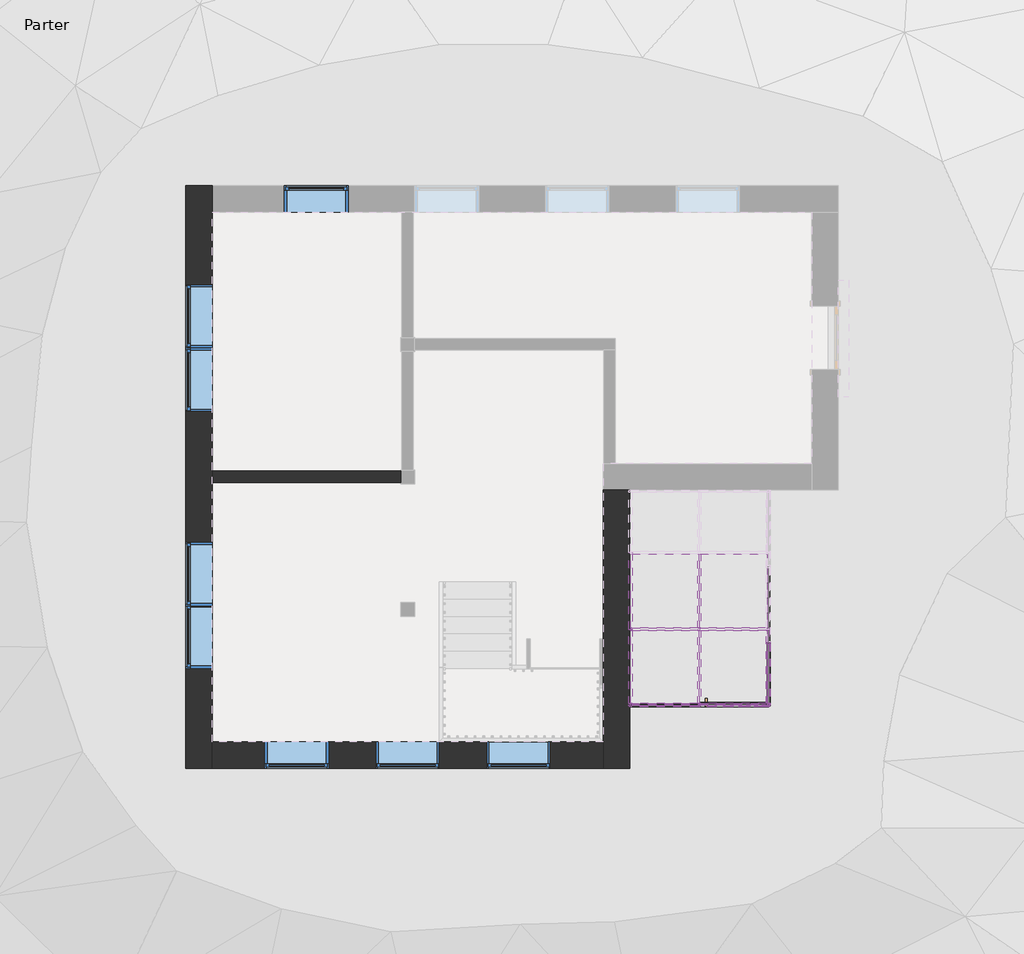
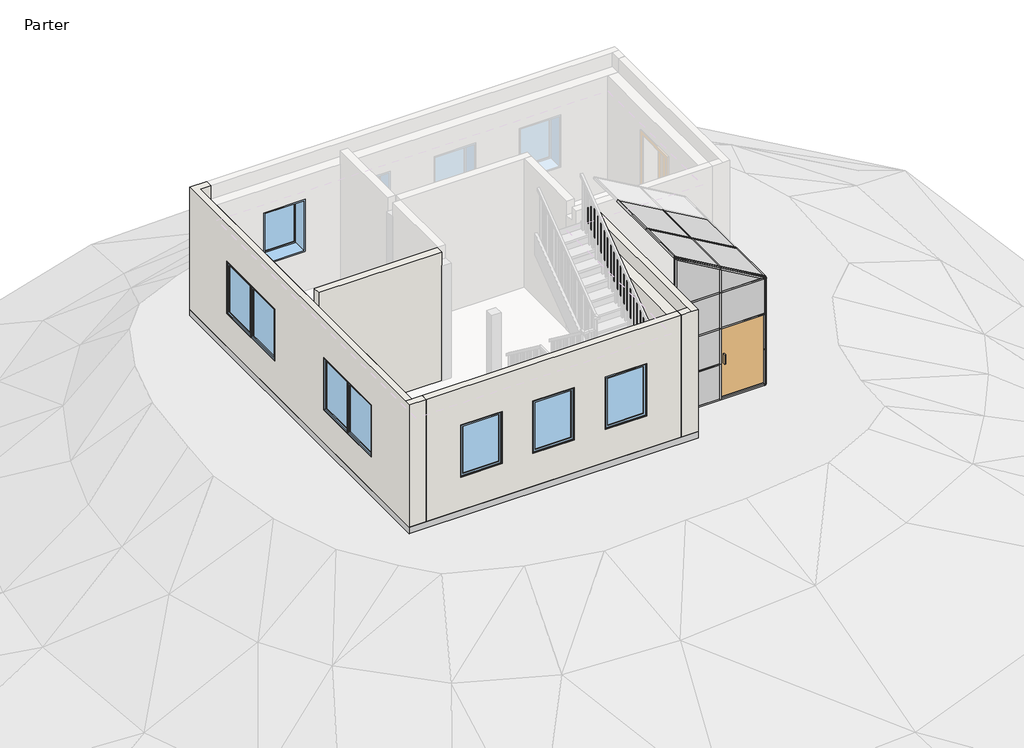
# One storey, part 1 of 3: 40 members, 16 plates, 8 windows, 4 walls, 1 door, 1 proxy.
"""IFC4 building model written with IfcOpenShell, lengths in millimetres."""

import ifcopenshell
import ifcopenshell.guid

model = None  # the IFC model being written
_history = None  # IfcOwnerHistory: only IFC2X3 demands one
_inside = {}  # id of a spatial element -> (the spatial element, [elements in it])
_under = {}  # id of a project, library or spatial element -> (it, [spatial elements below it])
_declared = {}  # id of a project -> (the project, [libraries it declares])
_typed = {}  # id of a type object -> (the type object, [elements of that type])
_made_of = {}  # id of a material, layer set ... -> (it, [elements and type objects made of it])


def new_model(schema):
    """Start an empty IFC model of exactly this schema.

    Asked for "IFC4X3", IfcOpenShell would pick the latest addendum, in which some entities
    have other attributes; the version numbers below select the first issue.
    IFC2X3 requires an IfcOwnerHistory on every rooted entity: one is made here for all.
    """
    global model, _history
    if schema == "IFC4X3":
        model = ifcopenshell.file(schema_version=(4, 3, 0, 0))
    else:
        model = ifcopenshell.file(schema=schema)
    _inside.clear()
    _under.clear()
    _declared.clear()
    _typed.clear()
    _made_of.clear()
    _history = None
    if model.schema == "IFC2X3":
        org = make("IfcOrganization", Name="unknown")
        user = make(
            "IfcPersonAndOrganization",
            ThePerson=make("IfcPerson", FamilyName="unknown"),
            TheOrganization=org,
        )
        app = make(
            "IfcApplication",
            ApplicationDeveloper=org,
            Version="unknown",
            ApplicationFullName="unknown",
            ApplicationIdentifier="unknown",
        )
        _history = make(
            "IfcOwnerHistory",
            OwningUser=user,
            OwningApplication=app,
            ChangeAction="ADDED",
            CreationDate=0,
        )
    return model


def make(cls, **values):
    """One entity of the class cls with the attributes given. An attribute that is None is left unset."""
    return model.create_entity(
        cls, **{name: value for name, value in values.items() if value is not None}
    )


def rooted(cls, **values):
    """An entity with a GlobalId (a new one), such as an element, a storey or a relation."""
    return make(cls, GlobalId=ifcopenshell.guid.new(), OwnerHistory=_history, **values)


def si_unit(unit_type, name, prefix=None):
    """IfcSIUnit, for example si_unit("LENGTHUNIT", "METRE", prefix="MILLI")."""
    return make("IfcSIUnit", UnitType=unit_type, Prefix=prefix, Name=name)


def assignment(units):
    """IfcUnitAssignment: the units of a project."""
    return None if units is None else make("IfcUnitAssignment", Units=units)


def point(xyz):
    """IfcCartesianPoint."""
    return None if xyz is None else make("IfcCartesianPoint", Coordinates=xyz)


def direction(xyz):
    """IfcDirection."""
    return None if xyz is None else make("IfcDirection", DirectionRatios=xyz)


def frame(location, z_axis=None, x_axis=None):
    """IfcAxis2Placement3D, a coordinate frame: its origin and axes. An axis left out is left unset."""
    return make(
        "IfcAxis2Placement3D",
        Location=point(location),
        Axis=direction(z_axis),
        RefDirection=direction(x_axis),
    )


def origin():
    """The frame at (0, 0, 0) with its axes left unset."""
    return frame((0.0, 0.0, 0.0))


def origin_with_axes():
    """The frame at (0, 0, 0) with the z axis (0, 0, 1) and the x axis (1, 0, 0) written out."""
    return frame((0.0, 0.0, 0.0), z_axis=(0.0, 0.0, 1.0), x_axis=(1.0, 0.0, 0.0))


def place(relative_to, where):
    """IfcLocalPlacement: puts the frame where relative to a parent placement (None: the world)."""
    return make(
        "IfcLocalPlacement", PlacementRelTo=relative_to, RelativePlacement=where
    )


def context(
    kind, dimensions, precision=None, world=None, true_north=None, identifier=None
):
    """IfcGeometricRepresentationContext, for example the 3D "Model" context."""
    return make(
        "IfcGeometricRepresentationContext",
        ContextIdentifier=identifier,
        ContextType=kind,
        CoordinateSpaceDimension=dimensions,
        Precision=precision,
        WorldCoordinateSystem=world,
        TrueNorth=true_north,
    )


def project(units=None, contexts=None):
    """IfcProject with its units and contexts."""
    return rooted(
        "IfcProject",
        Name="project",
        RepresentationContexts=contexts,
        UnitsInContext=assignment(units),
    )


def spatial(cls, under=None, at=None, **own):
    """A site, building, storey or space (cls), placed at a placement, below another one or the project."""
    s = rooted(cls, ObjectPlacement=at, **own)
    if under is not None:
        _under.setdefault(under.id(), (under, []))[1].append(s)
    return s


def polyline(points):
    """IfcPolyline through the points."""
    return make("IfcPolyline", Points=[point(p) for p in points])


def outline(outer, holes=None, kind="AREA"):
    """IfcArbitraryClosedProfileDef: a profile drawn as a closed curve; with holes, ...WithVoids."""
    if holes is None:
        return make("IfcArbitraryClosedProfileDef", ProfileType=kind, OuterCurve=outer)
    return make(
        "IfcArbitraryProfileDefWithVoids",
        ProfileType=kind,
        OuterCurve=outer,
        InnerCurves=holes,
    )


def extrude(swept, where, along, depth):
    """IfcExtrudedAreaSolid: the profile swept, set in the frame where, extruded along a direction by depth."""
    return make(
        "IfcExtrudedAreaSolid",
        SweptArea=swept,
        Position=where,
        ExtrudedDirection=direction(along),
        Depth=depth,
    )


def faces_of(points, faces, orient=None, outer=None):
    """IfcFace entities. A face is a list of loops; a loop is a list of indices into points, from 0.

    orient and outer hold one flag for each loop. By default every Orientation is true, the
    first loop of a face is its IfcFaceOuterBound and the others are IfcFaceBound.
    """
    made = []
    for i, loops in enumerate(faces):
        bounds = []
        for j, loop in enumerate(loops):
            is_outer = j == 0 if outer is None else outer[i][j]
            bounds.append(
                make(
                    "IfcFaceOuterBound" if is_outer else "IfcFaceBound",
                    Bound=make("IfcPolyLoop", Polygon=[points[k] for k in loop]),
                    Orientation=True if orient is None else orient[i][j],
                )
            )
        made.append(make("IfcFace", Bounds=bounds))
    return made


def faceted_brep(points, faces, orient=None, outer=None, voids=None):
    """IfcFacetedBrep: a solid bounded by flat faces; with voids (closed shells), ...WithVoids."""
    shared = [point(p) for p in points]
    hull = make("IfcClosedShell", CfsFaces=faces_of(shared, faces, orient, outer))
    if voids is None:
        return make("IfcFacetedBrep", Outer=hull)
    return make(
        "IfcFacetedBrepWithVoids",
        Outer=hull,
        Voids=[
            make(cls, CfsFaces=faces_of(shared, fs, o, b)) for cls, fs, o, b in voids
        ],
    )


def shape(context_of_items, identifier, shape_type, items):
    """IfcShapeRepresentation: the items that make up one representation, for example the "Body"."""
    return make(
        "IfcShapeRepresentation",
        ContextOfItems=context_of_items,
        RepresentationIdentifier=identifier,
        RepresentationType=shape_type,
        Items=items,
    )


def source(mapping_origin, context_of_items, identifier, shape_type, items):
    """IfcRepresentationMap: a shape defined once, which mapped items show again and again."""
    return make(
        "IfcRepresentationMap",
        MappingOrigin=mapping_origin,
        MappedRepresentation=shape(context_of_items, identifier, shape_type, items),
    )


def transform(
    local_origin,
    x_axis=None,
    y_axis=None,
    z_axis=None,
    scale=None,
    scale2=None,
    scale3=None,
    uniform=True,
):
    """IfcCartesianTransformationOperator3D, or its non-uniform kind. x_axis, y_axis, z_axis: its Axis1, 2, 3."""
    if uniform:
        return make(
            "IfcCartesianTransformationOperator3D",
            Axis1=direction(x_axis),
            Axis2=direction(y_axis),
            LocalOrigin=point(local_origin),
            Scale=scale,
            Axis3=direction(z_axis),
        )
    return make(
        "IfcCartesianTransformationOperator3DnonUniform",
        Axis1=direction(x_axis),
        Axis2=direction(y_axis),
        LocalOrigin=point(local_origin),
        Scale=scale,
        Axis3=direction(z_axis),
        Scale2=scale2,
        Scale3=scale3,
    )


def mapped(mapping_source, mapping_target):
    """IfcMappedItem: shows the shape of a source again, moved by a transform."""
    return make(
        "IfcMappedItem", MappingSource=mapping_source, MappingTarget=mapping_target
    )


def made_of(thing, what):
    """Note that an element or type object is made of a material, layer set ...; save() writes the relation."""
    if what is not None:
        _made_of.setdefault(what.id(), (what, []))[1].append(thing)
    return thing


def element(
    cls,
    number,
    at=None,
    inside=None,
    cuts=None,
    type_object=None,
    material=None,
    context=None,
    identifier="Body",
    shape_type=None,
    held_by="IfcProductDefinitionShape",
    body=None,
    shapes=None,
    **own,
):
    """One element of the class cls, such as IfcWall. Its Tag is "e" and its number.

    at: its placement. inside: the storey or other place that contains it. cuts: it is an
    opening in that element (IfcRelVoidsElement). A single representation is given by context,
    identifier, shape_type and body (its items); several are given by shapes. held_by: the class
    of the entity that holds the representations. save() writes the other relations.
    """
    e = rooted(cls, Tag="e%d" % number, ObjectPlacement=at, **own)
    if body is not None:
        shapes = [shape(context, identifier, shape_type, body)]
    if shapes is not None:
        e.Representation = make(held_by, Representations=shapes)
    if inside is not None:
        _inside.setdefault(inside.id(), (inside, []))[1].append(e)
    if cuts is not None:
        rooted(
            "IfcRelVoidsElement", RelatingBuildingElement=cuts, RelatedOpeningElement=e
        )
    if type_object is not None:
        _typed.setdefault(type_object.id(), (type_object, []))[1].append(e)
    return made_of(e, material)


def aggregate(whole, parts):
    """IfcRelAggregates: a whole, such as a stair, and the parts it consists of."""
    return rooted("IfcRelAggregates", RelatingObject=whole, RelatedObjects=parts)


def save(model, path):
    """Write the relations noted so far, then the file.

    IfcRelAggregates (storeys below a building ...), IfcRelContainedInSpatialStructure (elements
    in a storey), IfcRelDefinesByType, IfcRelAssociatesMaterial and IfcRelDeclares: one each for
    every whole, place, type object, material and project.
    """
    for whole, parts in _under.values():
        aggregate(whole, parts)
    for where, things in _inside.values():
        rooted(
            "IfcRelContainedInSpatialStructure",
            RelatedElements=things,
            RelatingStructure=where,
        )
    for kind, things in _typed.values():
        rooted("IfcRelDefinesByType", RelatedObjects=things, RelatingType=kind)
    for what, things in _made_of.values():
        rooted("IfcRelAssociatesMaterial", RelatedObjects=things, RelatingMaterial=what)
    for by, libraries in _declared.values():
        rooted("IfcRelDeclares", RelatingContext=by, RelatedDefinitions=libraries)
    model.write(path)


def door_218232d2(model_context):
    return source(origin(), model_context, "Body", "SweptSolid", [
        extrude(outline(polyline([(-375.9, -12.5), (-401.3, -12.5), (-401.3, 38.3), (-375.9, 38.3), (-375.9, -12.5)])), frame((0.0, 0.0, 762.0), z_axis=(0.0, 0.0, 1.0), x_axis=(1.0, 0.0, 0.0)), (0.0, 0.0, 1.0), 228.6),
        extrude(outline(polyline([(-401.3, 101.8), (-375.9, 101.8), (-375.9, 51.0), (-401.3, 51.0), (-401.3, 101.8)])), frame((0.0, 0.0, 762.0), z_axis=(0.0, 0.0, 1.0), x_axis=(1.0, 0.0, 0.0)), (0.0, 0.0, 1.0), 228.6),
        extrude(outline(polyline([(477.5, 51.0), (477.5, 38.3), (-477.5, 38.3), (-477.5, 51.0), (477.5, 51.0)])), origin_with_axes(), (0.0, 0.0, 1.0), 1621.6666667),
    ])


def kwadrat_30_mm_705c6e19(model_context):
    return source(origin(), model_context, "Body", "SweptSolid", [
        extrude(outline(polyline([(15.0, 20.0), (15.0, -20.0), (-15.0, -20.0), (-15.0, 20.0), (15.0, 20.0)])), frame((0.0, 0.0, -833.3333333), z_axis=(0.0, 0.0, 1.0), x_axis=(1.0, 0.0, 0.0)), (0.0, 0.0, 1.0), 833.3333333),
    ])


def kwadrat_30_mm_bdb70a68(model_context):
    return source(origin(), model_context, "Body", "SweptSolid", [
        extrude(outline(polyline([(15.0, 20.0), (15.0, -20.0), (-15.0, -20.0), (-15.0, 20.0), (15.0, 20.0)])), frame((0.0, 0.0, -1055.0), z_axis=(0.0, 0.0, 1.0), x_axis=(1.0, 0.0, 0.0)), (0.0, 0.0, 1.0), 1055.0),
    ])


def kwadrat_30_mm_ed0ade25(model_context):
    return source(origin(), model_context, "Body", "SweptSolid", [
        extrude(outline(polyline([(15.0, 20.0), (15.0, -20.0), (-15.0, -20.0), (-15.0, 20.0), (15.0, 20.0)])), frame((0.0, 0.0, -1070.0), z_axis=(0.0, 0.0, 1.0), x_axis=(1.0, 0.0, 0.0)), (0.0, 0.0, 1.0), 1070.0),
    ])


def kwadrat_30_mm_5f95e027(model_context):
    return source(origin(), model_context, "Body", "SweptSolid", [
        extrude(outline(polyline([(0.0, 20.0), (0.0, -20.0), (-30.0, -20.0), (-30.0, 20.0), (0.0, 20.0)])), frame((0.0, 0.0, -1070.0), z_axis=(0.0, 0.0, 1.0), x_axis=(1.0, 0.0, 0.0)), (0.0, 0.0, 1.0), 1070.0),
    ])


def kwadrat_30_mm_9a38b022(model_context):
    return source(origin(), model_context, "Body", "SweptSolid", [
        extrude(outline(polyline([(0.0, 20.0), (0.0, -20.0), (-30.0, -20.0), (-30.0, 20.0), (0.0, 20.0)])), frame((0.0, 0.0, -955.0), z_axis=(0.0, 0.0, 1.0), x_axis=(1.0, 0.0, 0.0)), (0.0, 0.0, 1.0), 955.0),
    ])


def kwadrat_30_mm_0d1ddc54(model_context):
    return source(origin(), model_context, "Body", "SweptSolid", [
        extrude(outline(polyline([(15.0, 20.0), (15.0, -20.0), (-15.0, -20.0), (-15.0, 20.0), (15.0, 20.0)])), frame((0.0, 0.0, -955.0), z_axis=(0.0, 0.0, 1.0), x_axis=(1.0, 0.0, 0.0)), (0.0, 0.0, 1.0), 955.0),
    ])


def kwadrat_30_mm_e217f175(model_context):
    return source(origin(), model_context, "Body", "SweptSolid", [
        extrude(outline(polyline([(-85.9807621, 15.0), (25.9807621, -15.0), (-970.6787099, -15.0), (-970.6787099, 15.0), (-85.9807621, 15.0)])), frame((0.0, -20.0, 0.0), z_axis=(0.0, 1.0, 0.0), x_axis=(0.0, 0.0, 1.0)), (0.0, 0.0, 1.0), 40.0),
    ])


def kwadrat_30_mm_9e6a34bf(model_context):
    return source(origin(), model_context, "Body", "SweptSolid", [
        extrude(outline(polyline([(0.0, 0.0), (0.0, -30.0), (-1102.7390142, -30.0), (-1154.7005384, 0.0), (0.0, 0.0)])), frame((0.0, -20.0, 0.0), z_axis=(0.0, 1.0, 0.0), x_axis=(0.0, 0.0, 1.0)), (0.0, 0.0, 1.0), 40.0),
    ])


def kwadrat_30_mm_ed4b9595(model_context):
    return source(origin(), model_context, "Body", "SweptSolid", [
        extrude(outline(polyline([(30.0, 0.0), (-81.9615242, -30.0), (-1138.163737, -30.0), (-1138.163737, 0.0), (30.0, 0.0)])), frame((0.0, -20.0, 0.0), z_axis=(0.0, 1.0, 0.0), x_axis=(0.0, 0.0, 1.0)), (0.0, 0.0, 1.0), 40.0),
    ])


def kwadrat_30_mm_fb853435(model_context):
    return source(origin(), model_context, "Body", "SweptSolid", [
        extrude(outline(polyline([(15.0, 20.0), (15.0, -20.0), (-15.0, -20.0), (-15.0, 20.0), (15.0, 20.0)])), frame((0.0, 0.0, -840.0), z_axis=(0.0, 0.0, 1.0), x_axis=(1.0, 0.0, 0.0)), (0.0, 0.0, 1.0), 840.0),
    ])


def kwadrat_30_mm_bb5d0950(model_context):
    return source(origin(), model_context, "Body", "SweptSolid", [
        extrude(outline(polyline([(0.0, 15.0), (0.0, -15.0), (-543.1011064, -15.0), (-525.7805983, 15.0), (0.0, 15.0)])), frame((0.0, -20.0, 0.0), z_axis=(0.0, 1.0, 0.0), x_axis=(0.0, 0.0, 1.0)), (0.0, 0.0, 1.0), 40.0),
    ])


def kwadrat_30_mm_f056ea68(model_context):
    return source(origin(), model_context, "Body", "SweptSolid", [
        extrude(outline(polyline([(15.0, 20.0), (15.0, -20.0), (-15.0, -20.0), (-15.0, 20.0), (15.0, 20.0)])), frame((0.0, 0.0, -1124.7005384), z_axis=(0.0, 0.0, 1.0), x_axis=(1.0, 0.0, 0.0)), (0.0, 0.0, 1.0), 1124.7005384),
    ])


def kwadrat_30_mm_c1077d9b(model_context):
    return source(origin(), model_context, "Body", "SweptSolid", [
        extrude(outline(polyline([(0.0, 20.0), (0.0, -20.0), (-30.0, -20.0), (-30.0, 20.0), (0.0, 20.0)])), frame((0.0, 0.0, -1154.7005384), z_axis=(0.0, 0.0, 1.0), x_axis=(1.0, 0.0, 0.0)), (0.0, 0.0, 1.0), 1154.7005384),
    ])


def kwadrat_30_mm_e4d96e13(model_context):
    return source(origin(), model_context, "Body", "SweptSolid", [
        extrude(outline(polyline([(0.0, 20.0), (0.0, -20.0), (-30.0, -20.0), (-30.0, 20.0), (0.0, 20.0)])), frame((0.0, 0.0, -1100.0), z_axis=(0.0, 0.0, 1.0), x_axis=(1.0, 0.0, 0.0)), (0.0, 0.0, 1.0), 1100.0),
    ])


def kwadrat_30_mm_499278a5(model_context):
    return source(origin(), model_context, "Body", "SweptSolid", [
        extrude(outline(polyline([(0.0, 20.0), (0.0, -20.0), (-30.0, -20.0), (-30.0, 20.0), (0.0, 20.0)])), frame((0.0, 0.0, -833.3333333), z_axis=(0.0, 0.0, 1.0), x_axis=(1.0, 0.0, 0.0)), (0.0, 0.0, 1.0), 833.3333333),
    ])


def kwadrat_30_mm_6efb2349(model_context):
    return source(origin(), model_context, "Body", "SweptSolid", [
        extrude(outline(polyline([(0.0, 0.0), (-51.9615242, -30.0), (-1146.4321377, -30.0), (-1146.4321377, 0.0), (0.0, 0.0)])), frame((0.0, -20.0, 0.0), z_axis=(0.0, 1.0, 0.0), x_axis=(0.0, 0.0, 1.0)), (0.0, 0.0, 1.0), 40.0),
    ])


def kwadrat_30_mm_532b84e8(model_context):
    return source(origin(), model_context, "Body", "SweptSolid", [
        extrude(outline(polyline([(0.0, 20.0), (0.0, -20.0), (-30.0, -20.0), (-30.0, 20.0), (0.0, 20.0)])), frame((0.0, 0.0, -831.7315993), z_axis=(0.0, 0.0, 1.0), x_axis=(1.0, 0.0, 0.0)), (0.0, 0.0, 1.0), 831.7315993),
    ])


def kwadrat_30_mm_993b1e1b(model_context):
    return source(origin(), model_context, "Body", "SweptSolid", [
        extrude(outline(polyline([(0.0, 20.0), (0.0, -20.0), (-30.0, -20.0), (-30.0, 20.0), (0.0, 20.0)])), frame((0.0, 0.0, -840.0), z_axis=(0.0, 0.0, 1.0), x_axis=(1.0, 0.0, 0.0)), (0.0, 0.0, 1.0), 840.0),
    ])


def kwadrat_30_mm_ce6e484d(model_context):
    return source(origin(), model_context, "Body", "SweptSolid", [
        extrude(outline(polyline([(0.0, 20.0), (0.0, -20.0), (-30.0, -20.0), (-30.0, 20.0), (0.0, 20.0)])), frame((0.0, 0.0, -855.0), z_axis=(0.0, 0.0, 1.0), x_axis=(1.0, 0.0, 0.0)), (0.0, 0.0, 1.0), 855.0),
    ])


def kwadrat_30_mm_2e227ea0(model_context):
    return source(origin(), model_context, "Body", "SweptSolid", [
        extrude(outline(polyline([(15.0, 20.0), (15.0, -20.0), (-15.0, -20.0), (-15.0, 20.0), (15.0, 20.0)])), frame((0.0, 0.0, -855.0), z_axis=(0.0, 0.0, 1.0), x_axis=(1.0, 0.0, 0.0)), (0.0, 0.0, 1.0), 855.0),
    ])


def panel_systemowy_przeszklony_618f344c(model_context):
    return source(origin(), model_context, "Body", "SweptSolid", [
        extrude(outline(polyline([(477.5, -12.5), (-477.5, -12.5), (-477.5, 12.5), (477.5, 12.5), (477.5, -12.5)])), origin_with_axes(), (0.0, 0.0, 1.0), 788.3333333),
    ])


def panel_systemowy_przeszklony_c0d09f49(model_context):
    return source(origin(), model_context, "Body", "SweptSolid", [
        extrude(outline(polyline([(527.5, -12.5), (-527.5, -12.5), (-527.5, 12.5), (527.5, 12.5), (527.5, -12.5)])), origin_with_axes(), (0.0, 0.0, 1.0), 1109.7005384),
    ])


def panel_systemowy_przeszklony_151b6255(model_context):
    return source(origin(), model_context, "Body", "SweptSolid", [
        extrude(outline(polyline([(535.0, -12.5), (-535.0, -12.5), (-535.0, 12.5), (535.0, 12.5), (535.0, -12.5)])), origin_with_axes(), (0.0, 0.0, 1.0), 1109.7005384),
    ])


def panel_systemowy_przeszklony_a3b86dce(model_context):
    return source(origin(), model_context, "Body", "SweptSolid", [
        extrude(outline(polyline([(535.0, -12.5), (-535.0, -12.5), (-535.0, 12.5), (535.0, 12.5), (535.0, -12.5)])), origin_with_axes(), (0.0, 0.0, 1.0), 788.3333333),
    ])


def panel_systemowy_przeszklony_4dfe826c(model_context):
    return source(origin(), model_context, "Body", "SweptSolid", [
        extrude(outline(polyline([(477.5, -12.5), (-477.5, -12.5), (-477.5, 12.5), (477.5, 12.5), (477.5, -12.5)])), origin_with_axes(), (0.0, 0.0, 1.0), 810.0),
    ])


def panel_systemowy_przeszklony_7aecd059(model_context):
    return source(origin(), model_context, "Body", "SweptSolid", [
        extrude(outline(polyline([(477.5, -12.5), (-477.5, -12.5), (-477.5, 12.5), (477.5, 12.5), (477.5, -12.5)])), origin_with_axes(), (0.0, 0.0, 1.0), 803.3333333),
    ])


def panel_systemowy_przeszklony_2408641d(model_context):
    return source(origin(), model_context, "Body", "SweptSolid", [
        extrude(outline(polyline([(535.0, -12.5), (-535.0, -12.5), (-535.0, 12.5), (535.0, 12.5), (535.0, -12.5)])), origin_with_axes(), (0.0, 0.0, 1.0), 803.3333333),
    ])


def panel_systemowy_przeszklony_e1e3377c(model_context):
    return source(origin(), model_context, "Body", "SweptSolid", [
        extrude(outline(polyline([(0.0, -477.5), (0.0, 477.5), (528.1011064, 477.5), (1079.4706135, -477.5), (0.0, -477.5)])), frame((0.0, -12.5, 0.0), z_axis=(0.0, 1.0, 0.0), x_axis=(0.0, 0.0, 1.0)), (0.0, 0.0, 1.0), 25.0),
    ])


def panel_systemowy_przeszklony_1b4195de(model_context):
    return source(origin(), model_context, "Body", "SweptSolid", [
        extrude(outline(polyline([(0.0, -442.3489739), (0.0, 442.3489739), (510.7805983, -442.3489739), (0.0, -442.3489739)])), frame((0.0, -12.5, 0.0), z_axis=(0.0, 1.0, 0.0), x_axis=(0.0, 0.0, 1.0)), (0.0, 0.0, 1.0), 25.0),
    ])


def panel_systemowy_przeszklony_090a7e69(model_context):
    return source(origin(), model_context, "Body", "SweptSolid", [
        extrude(outline(polyline([(427.5, -12.5), (-427.5, -12.5), (-427.5, 12.5), (427.5, 12.5), (427.5, -12.5)])), origin_with_axes(), (0.0, 0.0, 1.0), 788.3333333),
    ])


def panel_systemowy_przeszklony_a9272b7e(model_context):
    return source(origin(), model_context, "Body", "SweptSolid", [
        extrude(outline(polyline([(427.5, -12.5), (-427.5, -12.5), (-427.5, 12.5), (427.5, 12.5), (427.5, -12.5)])), origin_with_axes(), (0.0, 0.0, 1.0), 803.3333333),
    ])


def window_0915_x_1220mm_e1820d54(model_context):
    return source(origin(), model_context, "Body", "SweptSolid", [
        extrude(outline(polyline([(-394.5, 167.5), (394.5, 167.5), (394.5, 155.5), (-394.5, 155.5), (-394.5, 167.5)])), frame((0.0, 0.0, 978.0), z_axis=(0.0, 0.0, 1.0), x_axis=(1.0, 0.0, 0.0)), (0.0, 0.0, 1.0), 1094.0),
        extrude(outline(polyline([(2116.0, -438.5), (934.0, -438.5), (934.0, 438.5), (2116.0, 438.5), (2116.0, -438.5)]), holes=[polyline([(2072.0, -394.5), (2072.0, 394.5), (978.0, 394.5), (978.0, -394.5), (2072.0, -394.5)])]), frame((0.0, 139.5, 0.0), z_axis=(0.0, 1.0, 0.0), x_axis=(0.0, 0.0, 1.0)), (0.0, 0.0, 1.0), 44.0),
        extrude(outline(polyline([(2135.0, -457.5), (915.0, -457.5), (915.0, 457.5), (2135.0, 457.5), (2135.0, -457.5)]), holes=[polyline([(2116.0, -438.5), (2116.0, 438.5), (934.0, 438.5), (934.0, -438.5), (2116.0, -438.5)])]), frame((0.0, 139.5, 0.0), z_axis=(0.0, 1.0, 0.0), x_axis=(0.0, 0.0, 1.0)), (0.0, 0.0, 1.0), 63.0),
        extrude(outline(polyline([(2135.0, -457.5), (915.0, -457.5), (915.0, 457.5), (2135.0, 457.5), (2135.0, -457.5)]), holes=[polyline([(2103.0, -425.5), (2103.0, 425.5), (947.0, 425.5), (947.0, -425.5), (2103.0, -425.5)])]), frame((0.0, -176.5, 0.0), z_axis=(0.0, 1.0, 0.0), x_axis=(0.0, 0.0, 1.0)), (0.0, 0.0, 1.0), 316.0),
    ])


model = new_model("IFC4")

# Units and contexts
model_context = context("Model", 3, world=origin())
ifc_project = project(units=[si_unit("LENGTHUNIT", "METRE", prefix="MILLI")], contexts=[model_context])

# Site, building, storey
site = spatial("IfcSite", under=ifc_project)
building = spatial("IfcBuilding", under=site)
storey = spatial("IfcBuildingStorey", under=building, Name="Parter", Elevation=0.0)

# Proxy
placement = place(None, origin())
element("IfcBuildingElementProxy", 1, Name="Boniowanie", ObjectType="Boniowanie", at=placement, inside=storey, context=model_context, shape_type="SweptSolid", body=[
    extrude(outline(polyline([(-3866.020157, -683.6022635), (-3713.620157, -836.0022635), (-10092.620157, -836.0022635), (-9940.220157, -683.6022635), (-3866.020157, -683.6022635)])), origin_with_axes(), (0.0, 0.0, 1.0), 152.4),
    extrude(outline(polyline([(-3866.020157, 3316.3977365), (-3713.620157, 3163.9977365), (-3713.620157, -836.0022635), (-3866.020157, -683.6022635), (-3866.020157, 3316.3977365)])), origin_with_axes(), (0.0, 0.0, 1.0), 152.4),
    extrude(outline(polyline([(-866.020157, 3316.3977365), (-713.620157, 3163.9977365), (-3713.620157, 3163.9977365), (-3866.020157, 3316.3977365), (-866.020157, 3316.3977365)])), origin_with_axes(), (0.0, 0.0, 1.0), 152.4),
    extrude(outline(polyline([(-866.020157, 7390.5977365), (-713.620157, 7542.9977365), (-713.620157, 5810.4977365), (-866.020157, 5810.4977365), (-866.020157, 7390.5977365)])), origin_with_axes(), (0.0, 0.0, 1.0), 152.4),
    extrude(outline(polyline([(-866.020157, 4896.4977365), (-713.620157, 4896.4977365), (-713.620157, 3163.9977365), (-866.020157, 3316.3977365), (-866.020157, 4896.4977365)])), origin_with_axes(), (0.0, 0.0, 1.0), 152.4),
    extrude(outline(polyline([(-9940.220157, 7390.5977365), (-10092.620157, 7542.9977365), (-713.620157, 7542.9977365), (-866.020157, 7390.5977365), (-9940.220157, 7390.5977365)])), origin_with_axes(), (0.0, 0.0, 1.0), 152.4),
    extrude(outline(polyline([(-9940.220157, -683.6022635), (-10092.620157, -836.0022635), (-10092.620157, 7542.9977365), (-9940.220157, 7390.5977365), (-9940.220157, -683.6022635)])), origin_with_axes(), (0.0, 0.0, 1.0), 152.4),
])

# Door
door_shape = door_218232d2(model_context)
element("IfcDoor", 2, at=placement, inside=storey, context=model_context, shape_type="MappedRepresentation", body=[
    mapped(door_shape, transform((-2221.120157, 63.9977365, 30.0), x_axis=(1.0, 0.0, 0.0), y_axis=(0.0, 1.0, 0.0), z_axis=(0.0, 0.0, 1.0))),
])

# Members
kwadrat_30_mm_shape = kwadrat_30_mm_705c6e19(model_context)
element("IfcMember", 3, ObjectType="Kwadrat 30 mm", at=placement, inside=storey, context=model_context, shape_type="MappedRepresentation", body=[
    mapped(kwadrat_30_mm_shape, transform((-1713.620157, 963.9977365, 0.0), x_axis=(0.0, 1.0, 0.0), y_axis=(1.0, 0.0, 0.0), z_axis=(0.0, 0.0, -1.0))),
])
element("IfcMember", 4, ObjectType="Kwadrat 30 mm", at=placement, inside=storey, context=model_context, shape_type="MappedRepresentation", body=[
    mapped(kwadrat_30_mm_shape, transform((-2713.620157, 63.9977365, 0.0), x_axis=(1.0, 0.0, 0.0), y_axis=(0.0, -1.0, 0.0), z_axis=(0.0, 0.0, -1.0))),
])
kwadrat_30_mm_2_shape = kwadrat_30_mm_bdb70a68(model_context)
element("IfcMember", 5, ObjectType="Kwadrat 30 mm", at=placement, inside=storey, context=model_context, shape_type="MappedRepresentation", body=[
    mapped(kwadrat_30_mm_2_shape, transform((-2713.620157, 93.9977365, 3077.3502692), x_axis=(-0.866025403784439, 0.0, 0.49999999999999933), y_axis=(-0.49999999999999933, 0.0, -0.866025403784439), z_axis=(0.0, -1.0, 0.0))),
])
kwadrat_30_mm_3_shape = kwadrat_30_mm_ed0ade25(model_context)
element("IfcMember", 6, ObjectType="Kwadrat 30 mm", at=placement, inside=storey, context=model_context, shape_type="MappedRepresentation", body=[
    mapped(kwadrat_30_mm_3_shape, transform((-2713.620157, 1178.9977365, 3077.3502692), x_axis=(-0.866025403784439, 0.0, 0.49999999999999933), y_axis=(-0.49999999999999933, 0.0, -0.866025403784439), z_axis=(0.0, -1.0, 0.0))),
])
kwadrat_30_mm_4_shape = kwadrat_30_mm_5f95e027(model_context)
element("IfcMember", 7, ObjectType="Kwadrat 30 mm", at=placement, inside=storey, context=model_context, shape_type="MappedRepresentation", body=[
    mapped(kwadrat_30_mm_4_shape, transform((-1713.620157, 978.9977365, 0.0), x_axis=(0.0, 0.0, -1.0), y_axis=(1.0, 0.0, 0.0), z_axis=(0.0, -1.0, 0.0))),
])
element("IfcMember", 8, ObjectType="Kwadrat 30 mm", at=placement, inside=storey, context=model_context, shape_type="MappedRepresentation", body=[
    mapped(kwadrat_30_mm_shape, transform((-1713.620157, 963.9977365, 1666.6666667), x_axis=(0.0, 1.0, 0.0), y_axis=(1.0, 0.0, 0.0), z_axis=(0.0, 0.0, -1.0))),
])
element("IfcMember", 9, ObjectType="Kwadrat 30 mm", at=placement, inside=storey, context=model_context, shape_type="MappedRepresentation", body=[
    mapped(kwadrat_30_mm_shape, transform((-1713.620157, 963.9977365, 833.3333333), x_axis=(0.0, 1.0, 0.0), y_axis=(1.0, 0.0, 0.0), z_axis=(0.0, 0.0, -1.0))),
])
element("IfcMember", 10, ObjectType="Kwadrat 30 mm", at=placement, inside=storey, context=model_context, shape_type="MappedRepresentation", body=[
    mapped(kwadrat_30_mm_shape, transform((-2713.620157, 63.9977365, 833.3333333), x_axis=(1.0, 0.0, 0.0), y_axis=(0.0, -1.0, 0.0), z_axis=(0.0, 0.0, -1.0))),
])
kwadrat_30_mm_5_shape = kwadrat_30_mm_9a38b022(model_context)
element("IfcMember", 11, ObjectType="Kwadrat 30 mm", at=placement, inside=storey, context=model_context, shape_type="MappedRepresentation", body=[
    mapped(kwadrat_30_mm_5_shape, transform((-3683.620157, 63.9977365, 0.0), x_axis=(0.0, 0.0, -1.0), y_axis=(0.0, -1.0, 0.0), z_axis=(-1.0, 0.0, 0.0))),
])
element("IfcMember", 12, ObjectType="Kwadrat 30 mm", at=placement, inside=storey, context=model_context, shape_type="MappedRepresentation", body=[
    mapped(kwadrat_30_mm_5_shape, transform((-2698.620157, 63.9977365, 0.0), x_axis=(0.0, 0.0, -1.0), y_axis=(0.0, -1.0, 0.0), z_axis=(-1.0, 0.0, 0.0))),
])
kwadrat_30_mm_6_shape = kwadrat_30_mm_0d1ddc54(model_context)
element("IfcMember", 13, ObjectType="Kwadrat 30 mm", at=placement, inside=storey, context=model_context, shape_type="MappedRepresentation", body=[
    mapped(kwadrat_30_mm_6_shape, transform((-2728.620157, 63.9977365, 1666.6666667), x_axis=(0.0, 0.0, 1.0), y_axis=(0.0, -1.0, 0.0), z_axis=(1.0, 0.0, 0.0))),
])
element("IfcMember", 14, ObjectType="Kwadrat 30 mm", at=placement, inside=storey, context=model_context, shape_type="MappedRepresentation", body=[
    mapped(kwadrat_30_mm_6_shape, transform((-1743.620157, 63.9977365, 1666.6666667), x_axis=(0.0, 0.0, 1.0), y_axis=(0.0, -1.0, 0.0), z_axis=(1.0, 0.0, 0.0))),
])
element("IfcMember", 15, ObjectType="Kwadrat 30 mm", at=placement, inside=storey, context=model_context, shape_type="MappedRepresentation", body=[
    mapped(kwadrat_30_mm_6_shape, transform((-2728.620157, 63.9977365, 833.3333333), x_axis=(0.0, 0.0, 1.0), y_axis=(0.0, -1.0, 0.0), z_axis=(1.0, 0.0, 0.0))),
])
element("IfcMember", 16, ObjectType="Kwadrat 30 mm", at=placement, inside=storey, context=model_context, shape_type="MappedRepresentation", body=[
    mapped(kwadrat_30_mm_6_shape, transform((-2728.620157, 63.9977365, 2506.6666667), x_axis=(0.0, 0.0, 1.0), y_axis=(0.0, -1.0, 0.0), z_axis=(1.0, 0.0, 0.0))),
])
kwadrat_30_mm_7_shape = kwadrat_30_mm_e217f175(model_context)
element("IfcMember", 17, ObjectType="Kwadrat 30 mm", at=placement, inside=storey, context=model_context, shape_type="MappedRepresentation", body=[
    mapped(kwadrat_30_mm_7_shape, transform((-1727.9414471, 63.9977365, 2506.6666667), x_axis=(0.0, 0.0, 1.0), y_axis=(0.0, -1.0, 0.0), z_axis=(1.0, 0.0, 0.0))),
])
kwadrat_30_mm_8_shape = kwadrat_30_mm_9e6a34bf(model_context)
element("IfcMember", 18, ObjectType="Kwadrat 30 mm", at=placement, inside=storey, context=model_context, shape_type="MappedRepresentation", body=[
    mapped(kwadrat_30_mm_8_shape, transform((-2713.620157, 63.9977365, 3075.7485352), x_axis=(0.4999999999999973, 0.0, 0.8660254037844403), y_axis=(0.0, -1.0, 0.0), z_axis=(0.8660254037844403, 0.0, -0.4999999999999973))),
])
kwadrat_30_mm_9_shape = kwadrat_30_mm_ed4b9595(model_context)
element("IfcMember", 19, ObjectType="Kwadrat 30 mm", at=placement, inside=storey, context=model_context, shape_type="MappedRepresentation", body=[
    mapped(kwadrat_30_mm_9_shape, transform((-1727.9414471, 63.9977365, 2506.6666667), x_axis=(0.49999999999999745, 0.0, 0.8660254037844402), y_axis=(0.0, -1.0, 0.0), z_axis=(0.8660254037844402, 0.0, -0.49999999999999745))),
])
kwadrat_30_mm_10_shape = kwadrat_30_mm_fb853435(model_context)
element("IfcMember", 20, ObjectType="Kwadrat 30 mm", at=placement, inside=storey, context=model_context, shape_type="MappedRepresentation", body=[
    mapped(kwadrat_30_mm_10_shape, transform((-2713.620157, 63.9977365, 1666.6666667), x_axis=(1.0, 0.0, 0.0), y_axis=(0.0, -1.0, 0.0), z_axis=(0.0, 0.0, -1.0))),
])
kwadrat_30_mm_11_shape = kwadrat_30_mm_bb5d0950(model_context)
element("IfcMember", 21, ObjectType="Kwadrat 30 mm", at=placement, inside=storey, context=model_context, shape_type="MappedRepresentation", body=[
    mapped(kwadrat_30_mm_11_shape, transform((-2713.620157, 63.9977365, 2506.6666667), x_axis=(1.0, 0.0, 0.0), y_axis=(0.0, -1.0, 0.0), z_axis=(0.0, 0.0, -1.0))),
])
kwadrat_30_mm_12_shape = kwadrat_30_mm_f056ea68(model_context)
element("IfcMember", 22, ObjectType="Kwadrat 30 mm", at=placement, inside=storey, context=model_context, shape_type="MappedRepresentation", body=[
    mapped(kwadrat_30_mm_12_shape, transform((-3687.6393949, 1163.9977365, 3639.7005384), x_axis=(0.0, 1.0, 0.0), y_axis=(-0.4999999999999997, 0.0, -0.8660254037844389), z_axis=(-0.8660254037844389, 0.0, 0.4999999999999997))),
])
element("IfcMember", 23, ObjectType="Kwadrat 30 mm", at=placement, inside=storey, context=model_context, shape_type="MappedRepresentation", body=[
    mapped(kwadrat_30_mm_12_shape, transform((-2713.620157, 1163.9977365, 3077.3502692), x_axis=(0.0, 1.0, 0.0), y_axis=(-0.49999999999999917, 0.0, -0.8660254037844392), z_axis=(-0.866025403784439, 0.0, 0.4999999999999991))),
])
element("IfcMember", 24, ObjectType="Kwadrat 30 mm", at=placement, inside=storey, context=model_context, shape_type="MappedRepresentation", body=[
    mapped(kwadrat_30_mm_4_shape, transform((-3713.620157, 93.9977365, 3654.7005384), x_axis=(-0.866025403784439, 0.0, 0.49999999999999933), y_axis=(-0.49999999999999933, 0.0, -0.866025403784439), z_axis=(0.0, -1.0, 0.0))),
])
kwadrat_30_mm_13_shape = kwadrat_30_mm_c1077d9b(model_context)
element("IfcMember", 25, ObjectType="Kwadrat 30 mm", at=placement, inside=storey, context=model_context, shape_type="MappedRepresentation", body=[
    mapped(kwadrat_30_mm_13_shape, transform((-1713.620157, 63.9977365, 2500.0), x_axis=(0.0, -1.0, 0.0), y_axis=(-0.49999999999999917, 0.0, -0.8660254037844392), z_axis=(0.866025403784439, 0.0, -0.4999999999999991))),
])
element("IfcMember", 26, ObjectType="Kwadrat 30 mm", at=placement, inside=storey, context=model_context, shape_type="MappedRepresentation", body=[
    mapped(kwadrat_30_mm_13_shape, transform((-2713.620157, 63.9977365, 3077.3502692), x_axis=(0.0, -1.0, 0.0), y_axis=(-0.4999999999999997, 0.0, -0.8660254037844389), z_axis=(0.8660254037844389, 0.0, -0.4999999999999997))),
])
kwadrat_30_mm_14_shape = kwadrat_30_mm_e4d96e13(model_context)
element("IfcMember", 27, ObjectType="Kwadrat 30 mm", at=placement, inside=storey, context=model_context, shape_type="MappedRepresentation", body=[
    mapped(kwadrat_30_mm_14_shape, transform((-3713.620157, 1163.9977365, 3654.7005384), x_axis=(-0.866025403784439, 0.0, 0.49999999999999933), y_axis=(-0.49999999999999933, 0.0, -0.866025403784439), z_axis=(0.0, -1.0, 0.0))),
])
element("IfcMember", 28, ObjectType="Kwadrat 30 mm", at=placement, inside=storey, context=model_context, shape_type="MappedRepresentation", body=[
    mapped(kwadrat_30_mm_4_shape, transform((-1713.620157, 1163.9977365, 2500.0), x_axis=(0.866025403784439, 0.0, -0.49999999999999933), y_axis=(-0.49999999999999933, 0.0, -0.866025403784439), z_axis=(0.0, 1.0, 0.0))),
])
kwadrat_30_mm_15_shape = kwadrat_30_mm_499278a5(model_context)
element("IfcMember", 29, ObjectType="Kwadrat 30 mm", at=placement, inside=storey, context=model_context, shape_type="MappedRepresentation", body=[
    mapped(kwadrat_30_mm_15_shape, transform((-1713.620157, 63.9977365, 2500.0), x_axis=(0.0, -1.0, 0.0), y_axis=(1.0, 0.0, 0.0), z_axis=(0.0, 0.0, 1.0))),
])
element("IfcMember", 30, ObjectType="Kwadrat 30 mm", at=placement, inside=storey, context=model_context, shape_type="MappedRepresentation", body=[
    mapped(kwadrat_30_mm_15_shape, transform((-1713.620157, 63.9977365, 1666.6666667), x_axis=(0.0, -1.0, 0.0), y_axis=(1.0, 0.0, 0.0), z_axis=(0.0, 0.0, 1.0))),
])
element("IfcMember", 31, ObjectType="Kwadrat 30 mm", at=placement, inside=storey, context=model_context, shape_type="MappedRepresentation", body=[
    mapped(kwadrat_30_mm_15_shape, transform((-3713.620157, 63.9977365, 1666.6666667), x_axis=(-1.0, 0.0, 0.0), y_axis=(0.0, -1.0, 0.0), z_axis=(0.0, 0.0, 1.0))),
])
element("IfcMember", 32, ObjectType="Kwadrat 30 mm", at=placement, inside=storey, context=model_context, shape_type="MappedRepresentation", body=[
    mapped(kwadrat_30_mm_15_shape, transform((-1713.620157, 63.9977365, 833.3333333), x_axis=(0.0, -1.0, 0.0), y_axis=(1.0, 0.0, 0.0), z_axis=(0.0, 0.0, 1.0))),
])
element("IfcMember", 33, ObjectType="Kwadrat 30 mm", at=placement, inside=storey, context=model_context, shape_type="MappedRepresentation", body=[
    mapped(kwadrat_30_mm_15_shape, transform((-3713.620157, 63.9977365, 833.3333333), x_axis=(-1.0, 0.0, 0.0), y_axis=(0.0, -1.0, 0.0), z_axis=(0.0, 0.0, 1.0))),
])
kwadrat_30_mm_16_shape = kwadrat_30_mm_6efb2349(model_context)
element("IfcMember", 34, ObjectType="Kwadrat 30 mm", at=placement, inside=storey, context=model_context, shape_type="MappedRepresentation", body=[
    mapped(kwadrat_30_mm_16_shape, transform((-3713.620157, 63.9977365, 3653.0988044), x_axis=(-1.0, 0.0, 0.0), y_axis=(0.0, -1.0, 0.0), z_axis=(0.0, 0.0, 1.0))),
])
element("IfcMember", 35, ObjectType="Kwadrat 30 mm", at=placement, inside=storey, context=model_context, shape_type="MappedRepresentation", body=[
    mapped(kwadrat_30_mm_15_shape, transform((-1713.620157, 63.9977365, 0.0), x_axis=(1.0, 0.0, 0.0), y_axis=(0.0, -1.0, 0.0), z_axis=(0.0, 0.0, -1.0))),
])
kwadrat_30_mm_17_shape = kwadrat_30_mm_532b84e8(model_context)
element("IfcMember", 36, ObjectType="Kwadrat 30 mm", at=placement, inside=storey, context=model_context, shape_type="MappedRepresentation", body=[
    mapped(kwadrat_30_mm_17_shape, transform((-1713.620157, 63.9977365, 1666.6666667), x_axis=(1.0, 0.0, 0.0), y_axis=(0.0, -1.0, 0.0), z_axis=(0.0, 0.0, -1.0))),
])
element("IfcMember", 37, ObjectType="Kwadrat 30 mm", at=placement, inside=storey, context=model_context, shape_type="MappedRepresentation", body=[
    mapped(kwadrat_30_mm_15_shape, transform((-1713.620157, 63.9977365, 833.3333333), x_axis=(1.0, 0.0, 0.0), y_axis=(0.0, -1.0, 0.0), z_axis=(0.0, 0.0, -1.0))),
])
kwadrat_30_mm_18_shape = kwadrat_30_mm_993b1e1b(model_context)
element("IfcMember", 38, ObjectType="Kwadrat 30 mm", at=placement, inside=storey, context=model_context, shape_type="MappedRepresentation", body=[
    mapped(kwadrat_30_mm_18_shape, transform((-3713.620157, 63.9977365, 2506.6666667), x_axis=(-1.0, 0.0, 0.0), y_axis=(0.0, -1.0, 0.0), z_axis=(0.0, 0.0, 1.0))),
])
kwadrat_30_mm_19_shape = kwadrat_30_mm_ce6e484d(model_context)
element("IfcMember", 39, ObjectType="Kwadrat 30 mm", at=placement, inside=storey, context=model_context, shape_type="MappedRepresentation", body=[
    mapped(kwadrat_30_mm_19_shape, transform((-1713.620157, 93.9977365, 0.0), x_axis=(0.0, 0.0, -1.0), y_axis=(1.0, 0.0, 0.0), z_axis=(0.0, -1.0, 0.0))),
])
kwadrat_30_mm_20_shape = kwadrat_30_mm_2e227ea0(model_context)
element("IfcMember", 40, ObjectType="Kwadrat 30 mm", at=placement, inside=storey, context=model_context, shape_type="MappedRepresentation", body=[
    mapped(kwadrat_30_mm_20_shape, transform((-1713.620157, 948.9977365, 1666.6666667), x_axis=(0.0, 0.0, 1.0), y_axis=(1.0, 0.0, 0.0), z_axis=(0.0, 1.0, 0.0))),
])
element("IfcMember", 41, ObjectType="Kwadrat 30 mm", at=placement, inside=storey, context=model_context, shape_type="MappedRepresentation", body=[
    mapped(kwadrat_30_mm_20_shape, transform((-1713.620157, 948.9977365, 833.3333333), x_axis=(0.0, 0.0, 1.0), y_axis=(1.0, 0.0, 0.0), z_axis=(0.0, 1.0, 0.0))),
])
element("IfcMember", 42, ObjectType="Kwadrat 30 mm", at=placement, inside=storey, context=model_context, shape_type="MappedRepresentation", body=[
    mapped(kwadrat_30_mm_19_shape, transform((-1713.620157, 948.9977365, 2500.0), x_axis=(0.0, 0.0, 1.0), y_axis=(1.0, 0.0, 0.0), z_axis=(0.0, 1.0, 0.0))),
])

# Plates
panel_systemowy_przeszklony_shape = panel_systemowy_przeszklony_618f344c(model_context)
element("IfcPlate", 43, ObjectType="Panel systemowy : Przeszklony", at=placement, inside=storey, context=model_context, shape_type="MappedRepresentation", body=[
    mapped(panel_systemowy_przeszklony_shape, transform((-3206.120157, 63.9977365, 30.0), x_axis=(1.0, 0.0, 0.0), y_axis=(0.0, 1.0, 0.0), z_axis=(0.0, 0.0, 1.0))),
])
panel_systemowy_przeszklony_2_shape = panel_systemowy_przeszklony_c0d09f49(model_context)
element("IfcPlate", 44, ObjectType="Panel systemowy : Przeszklony", at=placement, inside=storey, context=model_context, shape_type="MappedRepresentation", body=[
    mapped(panel_systemowy_przeszklony_2_shape, transform((-1739.6009191, 621.4977365, 2515.0), x_axis=(0.0, 1.0, 0.0), y_axis=(-0.49999999999999933, 0.0, -0.866025403784439), z_axis=(-0.866025403784439, 0.0, 0.49999999999999933))),
])
element("IfcPlate", 45, ObjectType="Panel systemowy : Przeszklony", at=placement, inside=storey, context=model_context, shape_type="MappedRepresentation", body=[
    mapped(panel_systemowy_przeszklony_2_shape, transform((-2726.6105381, 621.4977365, 3084.8502692), x_axis=(0.0, 1.0, 0.0), y_axis=(-0.49999999999999933, 0.0, -0.866025403784439), z_axis=(-0.866025403784439, 0.0, 0.49999999999999933))),
])
panel_systemowy_przeszklony_3_shape = panel_systemowy_przeszklony_151b6255(model_context)
element("IfcPlate", 46, ObjectType="Panel systemowy : Przeszklony", at=placement, inside=storey, context=model_context, shape_type="MappedRepresentation", body=[
    mapped(panel_systemowy_przeszklony_3_shape, transform((-1739.6009191, 1713.9977365, 2515.0), x_axis=(0.0, 1.0, 0.0), y_axis=(-0.49999999999999933, 0.0, -0.866025403784439), z_axis=(-0.866025403784439, 0.0, 0.49999999999999933))),
])
element("IfcPlate", 47, ObjectType="Panel systemowy : Przeszklony", at=placement, inside=storey, context=model_context, shape_type="MappedRepresentation", body=[
    mapped(panel_systemowy_przeszklony_3_shape, transform((-2726.6105381, 1713.9977365, 3084.8502692), x_axis=(0.0, 1.0, 0.0), y_axis=(-0.49999999999999933, 0.0, -0.866025403784439), z_axis=(-0.866025403784439, 0.0, 0.49999999999999933))),
])
panel_systemowy_przeszklony_4_shape = panel_systemowy_przeszklony_a3b86dce(model_context)
element("IfcPlate", 48, ObjectType="Panel systemowy : Przeszklony", at=placement, inside=storey, context=model_context, shape_type="MappedRepresentation", body=[
    mapped(panel_systemowy_przeszklony_4_shape, transform((-1713.620157, 1513.9977365, 30.0), x_axis=(0.0, 1.0, 0.0), y_axis=(-1.0, 0.0, 0.0), z_axis=(0.0, 0.0, 1.0))),
])
element("IfcPlate", 49, ObjectType="Panel systemowy : Przeszklony", at=placement, inside=storey, context=model_context, shape_type="MappedRepresentation", body=[
    mapped(panel_systemowy_przeszklony_4_shape, transform((-1713.620157, 1513.9977365, 1681.6666667), x_axis=(0.0, 1.0, 0.0), y_axis=(-1.0, 0.0, 0.0), z_axis=(0.0, 0.0, 1.0))),
])
panel_systemowy_przeszklony_5_shape = panel_systemowy_przeszklony_4dfe826c(model_context)
element("IfcPlate", 50, ObjectType="Panel systemowy : Przeszklony", at=placement, inside=storey, context=model_context, shape_type="MappedRepresentation", body=[
    mapped(panel_systemowy_przeszklony_5_shape, transform((-3206.120157, 63.9977365, 1681.6666667), x_axis=(1.0, 0.0, 0.0), y_axis=(0.0, 1.0, 0.0), z_axis=(0.0, 0.0, 1.0))),
])
element("IfcPlate", 51, ObjectType="Panel systemowy : Przeszklony", at=placement, inside=storey, context=model_context, shape_type="MappedRepresentation", body=[
    mapped(panel_systemowy_przeszklony_5_shape, transform((-2221.120157, 63.9977365, 1681.6666667), x_axis=(1.0, 0.0, 0.0), y_axis=(0.0, 1.0, 0.0), z_axis=(0.0, 0.0, 1.0))),
])
panel_systemowy_przeszklony_6_shape = panel_systemowy_przeszklony_7aecd059(model_context)
element("IfcPlate", 52, ObjectType="Panel systemowy : Przeszklony", at=placement, inside=storey, context=model_context, shape_type="MappedRepresentation", body=[
    mapped(panel_systemowy_przeszklony_6_shape, transform((-3206.120157, 63.9977365, 848.3333333), x_axis=(1.0, 0.0, 0.0), y_axis=(0.0, 1.0, 0.0), z_axis=(0.0, 0.0, 1.0))),
])
panel_systemowy_przeszklony_7_shape = panel_systemowy_przeszklony_2408641d(model_context)
element("IfcPlate", 53, ObjectType="Panel systemowy : Przeszklony", at=placement, inside=storey, context=model_context, shape_type="MappedRepresentation", body=[
    mapped(panel_systemowy_przeszklony_7_shape, transform((-1713.620157, 1513.9977365, 848.3333333), x_axis=(0.0, 1.0, 0.0), y_axis=(-1.0, 0.0, 0.0), z_axis=(0.0, 0.0, 1.0))),
])
panel_systemowy_przeszklony_8_shape = panel_systemowy_przeszklony_e1e3377c(model_context)
element("IfcPlate", 54, ObjectType="Panel systemowy : Przeszklony", at=placement, inside=storey, context=model_context, shape_type="MappedRepresentation", body=[
    mapped(panel_systemowy_przeszklony_8_shape, transform((-3206.120157, 63.9977365, 2521.6666667), x_axis=(1.0, 0.0, 0.0), y_axis=(0.0, 1.0, 0.0), z_axis=(0.0, 0.0, 1.0))),
])
panel_systemowy_przeszklony_9_shape = panel_systemowy_przeszklony_1b4195de(model_context)
element("IfcPlate", 55, ObjectType="Panel systemowy : Przeszklony", at=placement, inside=storey, context=model_context, shape_type="MappedRepresentation", body=[
    mapped(panel_systemowy_przeszklony_9_shape, transform((-2256.2711831, 63.9977365, 2521.6666667), x_axis=(1.0, 0.0, 0.0), y_axis=(0.0, 1.0, 0.0), z_axis=(0.0, 0.0, 1.0))),
])
panel_systemowy_przeszklony_10_shape = panel_systemowy_przeszklony_090a7e69(model_context)
element("IfcPlate", 56, ObjectType="Panel systemowy : Przeszklony", at=placement, inside=storey, context=model_context, shape_type="MappedRepresentation", body=[
    mapped(panel_systemowy_przeszklony_10_shape, transform((-1713.620157, 521.4977365, 30.0), x_axis=(0.0, 1.0, 0.0), y_axis=(-1.0, 0.0, 0.0), z_axis=(0.0, 0.0, 1.0))),
])
element("IfcPlate", 57, ObjectType="Panel systemowy : Przeszklony", at=placement, inside=storey, context=model_context, shape_type="MappedRepresentation", body=[
    mapped(panel_systemowy_przeszklony_10_shape, transform((-1713.620157, 521.4977365, 1681.6666667), x_axis=(0.0, 1.0, 0.0), y_axis=(-1.0, 0.0, 0.0), z_axis=(0.0, 0.0, 1.0))),
])
panel_systemowy_przeszklony_11_shape = panel_systemowy_przeszklony_a9272b7e(model_context)
element("IfcPlate", 58, ObjectType="Panel systemowy : Przeszklony", at=placement, inside=storey, context=model_context, shape_type="MappedRepresentation", body=[
    mapped(panel_systemowy_przeszklony_11_shape, transform((-1713.620157, 521.4977365, 848.3333333), x_axis=(0.0, 1.0, 0.0), y_axis=(-1.0, 0.0, 0.0), z_axis=(0.0, 0.0, 1.0))),
])

# Walls
element("IfcWall", 59, at=placement, inside=storey, context=model_context, shape_type="Brep", body=[
    faceted_brep([(-9713.620157, 7390.9977365, 3000.0), (-9713.620157, 7390.9977365, 2680.0), (-9713.620157, 7163.9977365, 2680.0), (-9713.620157, -457.0022635, 2680.0), (-9713.620157, -684.0022635, 2680.0), (-9713.620157, -684.0022635, 3000.0), (-9713.620157, -836.0022635, 3000.0), (-9713.620157, -836.0022635, 152.4), (-9713.620157, -683.6022635, 152.4), (-9713.620157, -683.6022635, 0.0), (-9713.620157, -457.0022635, 0.0), (-9713.620157, 3271.4977365, 0.0), (-9713.620157, 3435.4977365, 0.0), (-9713.620157, 7163.9977365, 0.0), (-9713.620157, 7390.5977365, 0.0), (-9713.620157, 7390.5977365, 152.4), (-9713.620157, 7542.9977365, 152.4), (-9713.620157, 7542.9977365, 3000.0), (-9713.620157, 4292.4977365, 915.0), (-9713.620157, 4292.4977365, 2135.0), (-9713.620157, 6122.4977365, 2135.0), (-9713.620157, 6122.4977365, 915.0), (-9713.620157, 2414.4977365, 2135.0), (-9713.620157, 2414.4977365, 915.0), (-9713.620157, 602.9977365, 915.0), (-9713.620157, 602.9977365, 2135.0), (-10092.620157, -684.0022635, 3000.0), (-10092.620157, 7390.9977365, 3000.0), (-10092.620157, 7542.9977365, 3000.0), (-10092.620157, 7542.9977365, 152.4), (-10092.620157, -836.0022635, 152.4), (-10092.620157, -836.0022635, 3000.0), (-10092.620157, 4292.4977365, 2135.0), (-10092.620157, 4292.4977365, 915.0), (-10092.620157, 6122.4977365, 915.0), (-10092.620157, 6122.4977365, 2135.0), (-10092.620157, 2414.4977365, 915.0), (-10092.620157, 2414.4977365, 2135.0), (-10092.620157, 602.9977365, 2135.0), (-10092.620157, 602.9977365, 915.0), (-9940.220157, -683.6022635, 0.0), (-9940.220157, 7390.5977365, 0.0), (-9940.620157, 7390.9977365, 3000.0), (-9940.620157, 7390.9977365, 2680.0), (-9940.620157, -684.0022635, 2680.0), (-9940.620157, -684.0022635, 3000.0), (-9940.220157, -683.6022635, 152.4), (-9940.220157, 7390.5977365, 152.4)], [[[0, 1, 2, 3, 4, 5, 6, 7, 8, 9, 10, 11, 12, 13, 14, 15, 16, 17], [18, 19, 20, 21], [22, 23, 24, 25]], [[26, 27, 28, 29, 30, 31], [32, 33, 34, 35], [36, 37, 38, 39]], [[14, 13, 12, 11, 10, 9, 40, 41]], [[28, 17, 16, 29]], [[6, 31, 30, 7]], [[1, 0, 42, 43]], [[5, 4, 44, 45]], [[45, 44, 43, 42]], [[4, 3, 2, 1, 43, 44]], [[27, 26, 45, 42, 0, 17, 28]], [[26, 31, 6, 5, 45]], [[19, 18, 33, 32]], [[19, 32, 35, 20]], [[33, 18, 21, 34]], [[37, 22, 25, 38]], [[23, 22, 37, 36]], [[23, 36, 39, 24]], [[20, 35, 34, 21]], [[24, 39, 38, 25]], [[46, 40, 9, 8]], [[47, 46, 8, 7, 30, 29, 16, 15]], [[40, 46, 47, 41]], [[41, 47, 15, 14]]]),
])
element("IfcWall", 60, at=placement, inside=storey, context=model_context, shape_type="Brep", body=[
    faceted_brep([(-4092.620157, 3163.9977365, 2680.0), (-4092.620157, 3163.9977365, 0.0), (-4092.620157, -457.0022635, 0.0), (-4092.620157, -683.6022635, 0.0), (-4092.620157, -683.6022635, 152.4), (-4092.620157, -836.0022635, 152.4), (-4092.620157, -836.0022635, 3000.0), (-4092.620157, -684.0022635, 3000.0), (-4092.620157, -684.0022635, 2680.0), (-4092.620157, -457.0022635, 2680.0), (-3713.620157, 3163.9977365, 3000.0), (-3713.620157, -836.0022635, 3000.0), (-3713.620157, -836.0022635, 152.4), (-3713.620157, 3163.9977365, 152.4), (-3866.020157, 3163.9977365, 0.0), (-3866.020157, -683.6022635, 0.0), (-3865.620157, 3163.9977365, 2680.0), (-3865.620157, 3163.9977365, 3000.0), (-3866.020157, 3163.9977365, 152.4), (-3865.620157, -836.0022635, 3000.0), (-3865.620157, -684.0022635, 2680.0), (-3865.620157, -684.0022635, 3000.0), (-3866.020157, -683.6022635, 152.4)], [[[0, 1, 2, 3, 4, 5, 6, 7, 8, 9]], [[10, 11, 12, 13]], [[3, 2, 1, 14, 15]], [[1, 0, 16, 17, 10, 13, 18, 14]], [[19, 6, 5, 12, 11]], [[17, 16, 20, 21]], [[21, 20, 8, 7]], [[0, 9, 8, 20, 16]], [[7, 6, 19, 21]], [[19, 11, 10, 17, 21]], [[4, 22, 18, 13, 12, 5]], [[22, 15, 14, 18]], [[15, 22, 4, 3]]]),
])
element("IfcWall", 61, at=placement, inside=storey, context=model_context, shape_type="Brep", body=[
    faceted_brep([(-4092.620157, -457.0022635, 0.0), (-9713.620157, -457.0022635, 0.0), (-9713.620157, -457.0022635, 2680.0), (-4092.620157, -457.0022635, 2680.0), (-8040.370157, -457.0022635, 915.0), (-8040.370157, -457.0022635, 2135.0), (-8955.370157, -457.0022635, 2135.0), (-8955.370157, -457.0022635, 915.0), (-6445.620157, -457.0022635, 915.0), (-6445.620157, -457.0022635, 2135.0), (-7360.620157, -457.0022635, 2135.0), (-7360.620157, -457.0022635, 915.0), (-4850.870157, -457.0022635, 915.0), (-4850.870157, -457.0022635, 2135.0), (-5765.870157, -457.0022635, 2135.0), (-5765.870157, -457.0022635, 915.0), (-4092.620157, -836.0022635, 3000.0), (-9713.620157, -836.0022635, 3000.0), (-9713.620157, -836.0022635, 152.4), (-4092.620157, -836.0022635, 152.4), (-8040.370157, -836.0022635, 2135.0), (-8040.370157, -836.0022635, 915.0), (-8955.370157, -836.0022635, 915.0), (-8955.370157, -836.0022635, 2135.0), (-6445.620157, -836.0022635, 2135.0), (-6445.620157, -836.0022635, 915.0), (-7360.620157, -836.0022635, 915.0), (-7360.620157, -836.0022635, 2135.0), (-4850.870157, -836.0022635, 2135.0), (-4850.870157, -836.0022635, 915.0), (-5765.870157, -836.0022635, 915.0), (-5765.870157, -836.0022635, 2135.0), (-4092.620157, -683.6022635, 0.0), (-9713.620157, -683.6022635, 0.0), (-9713.620157, -683.6022635, 152.4), (-9713.620157, -684.0022635, 3000.0), (-9713.620157, -684.0022635, 2680.0), (-4092.620157, -684.0022635, 2680.0), (-4092.620157, -684.0022635, 3000.0), (-4092.620157, -683.6022635, 152.4)], [[[0, 1, 2, 3], [4, 5, 6, 7], [8, 9, 10, 11], [12, 13, 14, 15]], [[16, 17, 18, 19], [20, 21, 22, 23], [24, 25, 26, 27], [28, 29, 30, 31]], [[1, 0, 32, 33]], [[2, 1, 33, 34, 18, 17, 35, 36]], [[0, 3, 37, 38, 16, 19, 39, 32]], [[38, 37, 36, 35]], [[3, 2, 36, 37]], [[35, 17, 16, 38]], [[5, 4, 21, 20]], [[6, 5, 20, 23]], [[7, 6, 23, 22]], [[4, 7, 22, 21]], [[9, 8, 25, 24]], [[10, 9, 24, 27]], [[11, 10, 27, 26]], [[8, 11, 26, 25]], [[13, 12, 29, 28]], [[14, 13, 28, 31]], [[15, 14, 31, 30]], [[12, 15, 30, 29]], [[34, 39, 19, 18]], [[39, 34, 33, 32]]]),
])
element("IfcWall", 62, at=placement, inside=storey, context=model_context, shape_type="SweptSolid", body=[
    extrude(outline(polyline([(-9713.620157, 3435.4977365), (-7003.120157, 3435.4977365), (-7003.120157, 3271.4977365), (-9713.620157, 3271.4977365), (-9713.620157, 3435.4977365)])), origin_with_axes(), (0.0, 0.0, 1.0), 3000.0),
])

# Windows
window_0915_x_1220mm_shape = window_0915_x_1220mm_e1820d54(model_context)
element("IfcWindow", 63, ObjectType="0915 x 1220mm", at=placement, inside=storey, context=model_context, shape_type="MappedRepresentation", body=[
    mapped(window_0915_x_1220mm_shape, transform((-8497.870157, -633.5022635, 0.0), x_axis=(-1.0, 0.0, 0.0), y_axis=(0.0, -1.0, 0.0), z_axis=(0.0, 0.0, 1.0))),
])
element("IfcWindow", 64, ObjectType="0915 x 1220mm", at=placement, inside=storey, context=model_context, shape_type="MappedRepresentation", body=[
    mapped(window_0915_x_1220mm_shape, transform((-6903.120157, -633.5022635, 0.0), x_axis=(-1.0, 0.0, 0.0), y_axis=(0.0, -1.0, 0.0), z_axis=(0.0, 0.0, 1.0))),
])
element("IfcWindow", 65, ObjectType="0915 x 1220mm", at=placement, inside=storey, context=model_context, shape_type="MappedRepresentation", body=[
    mapped(window_0915_x_1220mm_shape, transform((-5308.370157, -633.5022635, 0.0), x_axis=(-1.0, 0.0, 0.0), y_axis=(0.0, -1.0, 0.0), z_axis=(0.0, 0.0, 1.0))),
])
element("IfcWindow", 66, ObjectType="0915 x 1220mm", at=placement, inside=storey, context=model_context, shape_type="MappedRepresentation", body=[
    mapped(window_0915_x_1220mm_shape, transform((-8216.820157, 7340.4977365, 0.0), x_axis=(1.0, 0.0, 0.0), y_axis=(0.0, 1.0, 0.0), z_axis=(0.0, 0.0, 1.0))),
])
element("IfcWindow", 67, ObjectType="0915 x 1220mm", at=placement, inside=storey, context=model_context, shape_type="MappedRepresentation", body=[
    mapped(window_0915_x_1220mm_shape, transform((-9890.120157, 4749.9977365, 0.0), x_axis=(0.0, 1.0, 0.0), y_axis=(-1.0, 0.0, 0.0), z_axis=(0.0, 0.0, 1.0))),
])
element("IfcWindow", 68, ObjectType="0915 x 1220mm", at=placement, inside=storey, context=model_context, shape_type="MappedRepresentation", body=[
    mapped(window_0915_x_1220mm_shape, transform((-9890.120157, 1956.9977365, 0.0), x_axis=(0.0, 1.0, 0.0), y_axis=(-1.0, 0.0, 0.0), z_axis=(0.0, 0.0, 1.0))),
])
element("IfcWindow", 69, ObjectType="0915 x 1220mm", at=placement, inside=storey, context=model_context, shape_type="MappedRepresentation", body=[
    mapped(window_0915_x_1220mm_shape, transform((-9890.120157, 5664.9977365, 0.0), x_axis=(0.0, 1.0, 0.0), y_axis=(-1.0, 0.0, 0.0), z_axis=(0.0, 0.0, 1.0))),
])
element("IfcWindow", 70, ObjectType="0915 x 1220mm", at=placement, inside=storey, context=model_context, shape_type="MappedRepresentation", body=[
    mapped(window_0915_x_1220mm_shape, transform((-9890.120157, 1060.4977365, 0.0), x_axis=(0.0, 1.0, 0.0), y_axis=(-1.0, 0.0, 0.0), z_axis=(0.0, 0.0, 1.0))),
])

save(model, "model.ifc")
